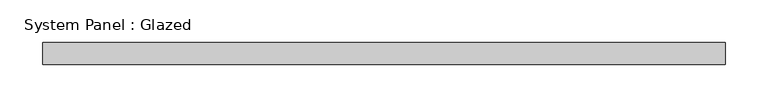
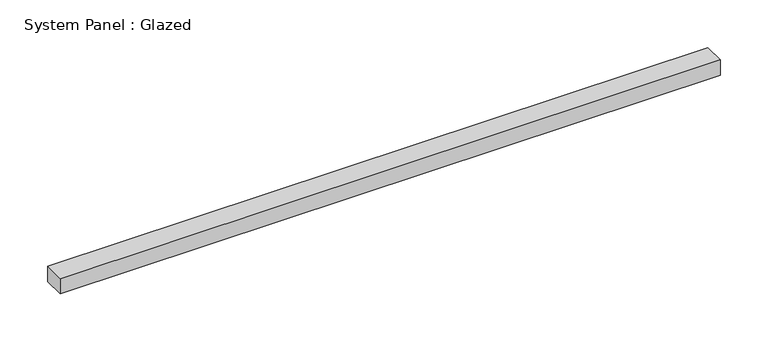
"""IFC4 building model written with IfcOpenShell, lengths in millimetres: plate geometry, System Panel : Glazed."""

from ifc_helpers import new_model, si_unit, origin, origin_with_axes, place, context, project, spatial, polyline, outline, extrude, source, transform, mapped, element, save


def system_panel_glazed_6937e382(model_context):
    return source(origin(), model_context, "Body", "SweptSolid", [
        extrude(outline(polyline([(398.244508, -12.7), (-398.244508, -12.7), (-398.244508, 12.7), (398.244508, 12.7), (398.244508, -12.7)])), origin_with_axes(), (0.0, 0.0, 1.0), 19.4762751),
    ])


if __name__ == "__main__":
    model = new_model("IFC4")
    model_context = context("Model", 3, world=origin())
    ifc_project = project(units=[si_unit("LENGTHUNIT", "METRE", prefix="MILLI")], contexts=[model_context])
    site = spatial("IfcSite", under=ifc_project)
    building = spatial("IfcBuilding", under=site)
    placement = place(None, origin())
    system_panel_glazed_shape = system_panel_glazed_6937e382(model_context)
    element("IfcPlate", 1, ObjectType="System Panel : Glazed", at=placement, inside=building, context=model_context, shape_type="MappedRepresentation", body=[
        mapped(system_panel_glazed_shape, transform((0.0, 0.0, 0.0), x_axis=(1.0, 0.0, 0.0), y_axis=(0.0, 1.0, 0.0), z_axis=(0.0, 0.0, 1.0))),
    ])
    save(model, "model.ifc")
